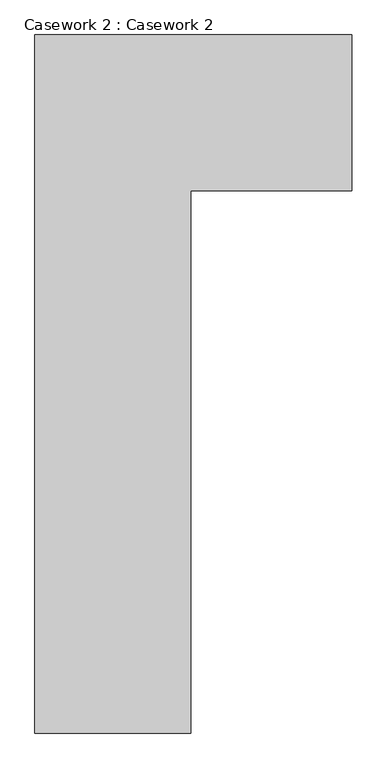
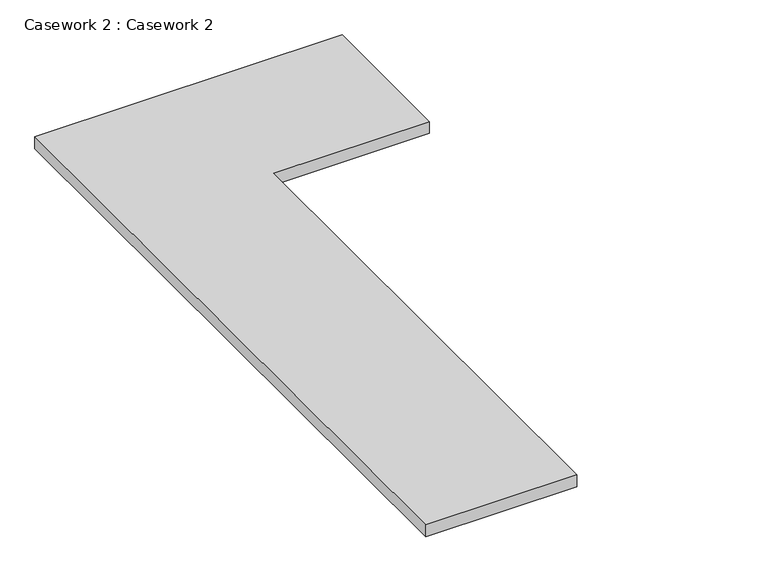
"""IFC4 building model written with IfcOpenShell, lengths in millimetres: furniture geometry, Casework 2 : Casework 2."""

from ifc_helpers import new_model, si_unit, frame, origin, place, context, project, spatial, polyline, outline, extrude, source, transform, mapped, element, save


def casework_2_casework_2_b278926c(model_context):
    return source(origin(), model_context, "Body", "SweptSolid", [
        extrude(outline(polyline([(3682.0512974, 479.1332635), (3682.0512974, 3225.5082635), (4928.6735093, 3225.5082635), (4928.6735093, 2612.7332635), (4294.8262974, 2612.7332635), (4294.8262974, 479.1332635), (3682.0512974, 479.1332635)])), frame((0.0, 0.0, 863.6), z_axis=(0.0, 0.0, 1.0), x_axis=(1.0, 0.0, 0.0)), (0.0, 0.0, 1.0), 50.8),
    ])


if __name__ == "__main__":
    model = new_model("IFC4")
    model_context = context("Model", 3, world=origin())
    ifc_project = project(units=[si_unit("LENGTHUNIT", "METRE", prefix="MILLI")], contexts=[model_context])
    site = spatial("IfcSite", under=ifc_project)
    building = spatial("IfcBuilding", under=site)
    placement = place(None, origin())
    casework_2_casework_2_shape = casework_2_casework_2_b278926c(model_context)
    element("IfcFurniture", 1, ObjectType="Casework 2 : Casework 2", at=placement, inside=building, context=model_context, shape_type="MappedRepresentation", body=[
        mapped(casework_2_casework_2_shape, transform((0.0, 0.0, 0.0), x_axis=(1.0, 0.0, 0.0), y_axis=(0.0, 1.0, 0.0), z_axis=(0.0, 0.0, 1.0))),
    ])
    save(model, "model.ifc")
